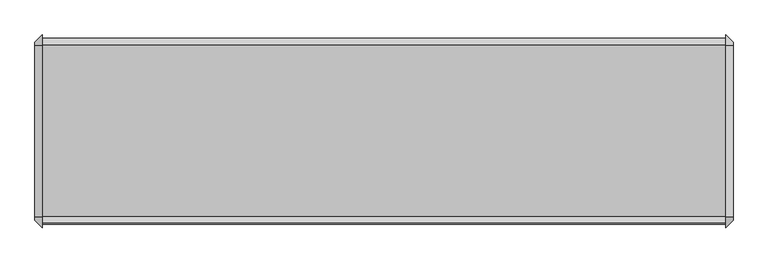
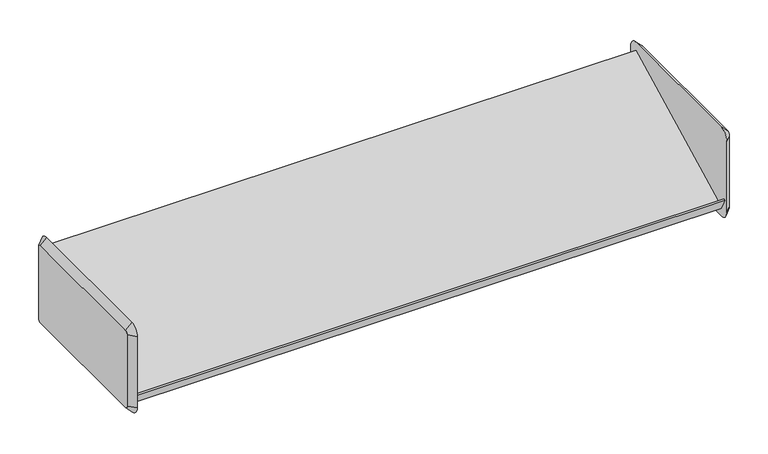
"""IFC4 building model written with IfcOpenShell, lengths in millimetres: furniture geometry."""

from ifc_helpers import new_model, si_unit, frame, origin, place, context, project, spatial, polyline, circle_curve, outline, extrude, source, transform, mapped, element, save
from ifc_brep_helpers import plane_surface, revolved_surface, advanced_brep


def furniture_120b8185(model_context):
    return source(origin(), model_context, "Body", "SolidModel", [
        advanced_brep(
        [(485.6579955, 161.925, 977.9), (485.6579955, -136.525, 977.9), (485.6579955, -142.875, 971.55), (485.6579955, -142.875, 819.15), (485.6579955, -136.525, 812.8), (485.6579955, 161.925, 812.8), (485.6579955, 168.275, 819.15), (485.6579955, 168.275, 971.55), (472.9579955, 161.925, 990.6), (472.9579955, 180.975, 971.55), (472.9579955, 180.975, 819.15), (472.9579955, 161.925, 800.1), (472.9579955, -136.525, 800.1), (472.9579955, -155.575, 819.15), (472.9579955, -155.575, 971.55), (472.9579955, -136.525, 990.6)],
        [
            (0, 1),
            (1, 2, circle_curve(frame((485.6579955, -136.525, 971.55), z_axis=(1.0, 2.075672966836833e-12, -2.1636026303870453e-12), x_axis=(2.1635874080698046e-12, 0.0, 1.0)), 6.35)),
            (2, 3),
            (3, 4, circle_curve(frame((485.6579955, -136.525, 819.15), z_axis=(1.0, 2.059685755282227e-12, 2.0463630789867403e-12), x_axis=(2.0596472873046784e-12, -1.0, 0.0)), 6.35)),
            (4, 5),
            (5, 6, circle_curve(frame((485.6579955, 161.925, 819.15), z_axis=(1.0, 2.0889956431322974e-12, -2.099653784168687e-12), x_axis=(-2.0996846449968276e-12, 0.0, -1.0)), 6.35)),
            (6, 7),
            (7, 0, circle_curve(frame((485.6579955, 161.925, 971.55), z_axis=(1.0, 2.0783375020959302e-12, 1.9824142327684258e-12), x_axis=(-2.0783313875587356e-12, 1.0, 0.0)), 6.35)),
            (8, 9, circle_curve(frame((472.9579955, 161.925, 971.55), z_axis=(-1.0, -2.0783375020959302e-12, -1.9824142327684258e-12), x_axis=(-2.0783313875587356e-12, 1.0, 0.0)), 19.05)),
            (9, 10),
            (10, 11, circle_curve(frame((472.9579955, 161.925, 819.15), z_axis=(-1.0, -2.0889956431322974e-12, 2.099653784168687e-12), x_axis=(-2.0996846449968276e-12, 0.0, -1.0)), 19.05)),
            (11, 12),
            (12, 13, circle_curve(frame((472.9579955, -136.525, 819.15), z_axis=(-1.0, -2.059685755282227e-12, -2.0463630789867403e-12), x_axis=(2.0596472873046784e-12, -1.0, 0.0)), 19.05)),
            (13, 14),
            (14, 15, circle_curve(frame((472.9579955, -136.525, 971.55), z_axis=(-1.0, -2.075672966836833e-12, 2.1636026303870453e-12), x_axis=(2.1635874080698046e-12, 0.0, 1.0)), 19.05)),
            (15, 8),
            (15, 1),
            (0, 8),
            (14, 2),
            (13, 3),
            (12, 4),
            (11, 5),
            (10, 6),
            (9, 7),
        ],
        [
            plane_surface(frame((485.6579955, 12.7, 895.35), z_axis=(1.0, 0.0, 0.0), x_axis=(0.0, -1.0, 0.0))),
            plane_surface(frame((472.9579955, 12.7, 895.35), z_axis=(-1.0, 0.0, 0.0), x_axis=(0.0, -1.0, 0.0))),
            plane_surface(frame((472.9579955, 12.7, 990.6), z_axis=(0.707106781186182, 0.0, 0.7071067811869131), x_axis=(0.0, -1.0, 0.0))),
            revolved_surface(polyline([(485.6579955000138, -136.525, 977.8999999999862), (472.9579955, -136.525, 990.6)]), (492.0079955, -136.525, 971.55), (-1.0, -2.075672966836833e-12, 2.1636026303870453e-12)),
            plane_surface(frame((472.9579955, -155.575, 895.35), z_axis=(0.7071067811861425, -0.7071067811869526, 0.0), x_axis=(0.0, 0.0, -1.0))),
            revolved_surface(polyline([(485.6579955000131, -142.87499999998687, 819.15), (472.9579955, -155.575, 819.15)]), (492.0079955, -136.525, 819.15), (-1.0, -2.059685755282227e-12, -2.0463630789867403e-12)),
            plane_surface(frame((472.9579955, 12.7, 800.1), z_axis=(0.7071067811861368, 0.0, -0.7071067811869582), x_axis=(0.0, 1.0, 0.0))),
            revolved_surface(polyline([(485.6579955, 161.925, 812.8000000000001), (472.95799549995996, 161.925, 800.09999999996)]), (492.0079955, 161.925, 819.15), (-1.0, -2.0889956431322974e-12, 2.099653784168687e-12)),
            plane_surface(frame((472.9579955, 180.975, 895.35), z_axis=(0.7071067811861453, 0.7071067811869498, 0.0), x_axis=(0.0, 0.0, 1.0))),
            revolved_surface(polyline([(485.6579955, 168.27499999999998, 971.55), (472.95799549996036, 180.97500000003959, 971.55)]), (492.0079955, 161.925, 971.55), (-1.0, -2.0783375020959302e-12, -1.9824142327684258e-12)),
        ],
        [
            (0, [[1, 2, 3, 4, 5, 6, 7, 8]]),
            (1, [[9, 10, 11, 12, 13, 14, 15, 16]]),
            (2, [[-16, 17, -1, 18]]),
            (3, [[-15, 19, -2, -17]]),
            (4, [[-14, 20, -3, -19]]),
            (5, [[-13, 21, -4, -20]]),
            (6, [[-12, 22, -5, -21]]),
            (7, [[-11, 23, -6, -22]]),
            (8, [[-10, 24, -7, -23]]),
            (9, [[-9, -18, -8, -24]]),
        ],
    ),
        advanced_brep(
        [(-733.5420045, -136.525, 977.9), (-733.5420045, 161.925, 977.9), (-733.5420045, 168.275, 971.55), (-733.5420045, 168.275, 819.15), (-733.5420045, 161.925, 812.8), (-733.5420045, -136.525, 812.8), (-733.5420045, -142.875, 819.15), (-733.5420045, -142.875, 971.55), (-720.8420045, -136.525, 990.6), (-720.8420045, -155.575, 971.55), (-720.8420045, -155.575, 819.15), (-720.8420045, -136.525, 800.1), (-720.8420045, 161.925, 800.1), (-720.8420045, 180.975, 819.15), (-720.8420045, 180.975, 971.55), (-720.8420045, 161.925, 990.6)],
        [
            (0, 1),
            (1, 2, circle_curve(frame((-733.5420045, 161.925, 971.55), z_axis=(-1.0, 0.0, 0.0), x_axis=(0.0, 0.0, 1.0)), 6.35)),
            (2, 3),
            (3, 4, circle_curve(frame((-733.5420045, 161.925, 819.15), z_axis=(-1.0, 0.0, 0.0), x_axis=(0.0, 1.0, 0.0)), 6.35)),
            (4, 5),
            (5, 6, circle_curve(frame((-733.5420045, -136.525, 819.15), z_axis=(-1.0, 0.0, 0.0), x_axis=(0.0, 0.0, -1.0)), 6.35)),
            (6, 7),
            (7, 0, circle_curve(frame((-733.5420045, -136.525, 971.55), z_axis=(-1.0, 0.0, 0.0), x_axis=(0.0, -1.0, 0.0)), 6.35)),
            (8, 9, circle_curve(frame((-720.8420045, -136.525, 971.55), z_axis=(1.0, 0.0, 0.0), x_axis=(0.0, -1.0, 0.0)), 19.05)),
            (9, 10),
            (10, 11, circle_curve(frame((-720.8420045, -136.525, 819.15), z_axis=(1.0, 0.0, 0.0), x_axis=(0.0, 0.0, -1.0)), 19.05)),
            (11, 12),
            (12, 13, circle_curve(frame((-720.8420045, 161.925, 819.15), z_axis=(1.0, 0.0, 0.0), x_axis=(0.0, 1.0, 0.0)), 19.05)),
            (13, 14),
            (14, 15, circle_curve(frame((-720.8420045, 161.925, 971.55), z_axis=(1.0, 0.0, 0.0), x_axis=(0.0, 0.0, 1.0)), 19.05)),
            (15, 8),
            (15, 1),
            (0, 8),
            (14, 2),
            (13, 3),
            (12, 4),
            (11, 5),
            (10, 6),
            (9, 7),
        ],
        [
            plane_surface(frame((-733.5420045, 12.7, 895.35), z_axis=(-1.0, 0.0, 0.0), x_axis=(0.0, -1.0, 0.0))),
            plane_surface(frame((-720.8420045, 12.7, 895.35), z_axis=(1.0, 0.0, 0.0), x_axis=(0.0, -1.0, 0.0))),
            plane_surface(frame((-720.8420045, 12.7, 990.6), z_axis=(-0.7071067811865098, 0.0, 0.7071067811865852), x_axis=(0.0, 1.0, 0.0))),
            revolved_surface(polyline([(-733.5420045, 161.925, 977.9), (-720.8420045, 161.925, 990.6)]), (-739.8920045, 161.925, 971.55), (1.0, 0.0, 0.0)),
            plane_surface(frame((-720.8420045, 180.975, 895.35), z_axis=(-0.7071067811865447, 0.7071067811865503, 0.0), x_axis=(0.0, 0.0, -1.0))),
            revolved_surface(polyline([(-733.5420045, 168.27500000000003, 819.15), (-720.8420045, 180.975, 819.15)]), (-739.8920045, 161.925, 819.15), (1.0, 0.0, 0.0)),
            plane_surface(frame((-720.8420045, 12.7, 800.1), z_axis=(-0.7071067811865513, 0.0, -0.7071067811865438), x_axis=(0.0, -1.0, 0.0))),
            revolved_surface(polyline([(-733.5420045, -136.525, 812.8), (-720.8420045, -136.525, 800.1)]), (-739.8920045, -136.525, 819.15), (1.0, 0.0, 0.0)),
            plane_surface(frame((-720.8420045, -155.575, 895.35), z_axis=(-0.7071067811865457, -0.7071067811865495, 0.0), x_axis=(0.0, 0.0, 1.0))),
            revolved_surface(polyline([(-733.5420045, -142.87500000000003, 971.55), (-720.8420045, -155.575, 971.55)]), (-739.8920045, -136.525, 971.55), (1.0, 0.0, 0.0)),
        ],
        [
            (0, [[1, 2, 3, 4, 5, 6, 7, 8]]),
            (1, [[9, 10, 11, 12, 13, 14, 15, 16]]),
            (2, [[-16, 17, -1, 18]]),
            (3, [[-15, 19, -2, -17]]),
            (4, [[-14, 20, -3, -19]]),
            (5, [[-13, 21, -4, -20]]),
            (6, [[-12, 22, -5, -21]]),
            (7, [[-11, 23, -6, -22]]),
            (8, [[-10, 24, -7, -23]]),
            (9, [[-9, -18, -8, -24]]),
        ],
    ),
        extrude(outline(polyline([(-137.2094993, 817.0179666), (-149.845093, 841.4467844), (-147.0173828, 842.8907216), (-135.8404765, 821.2820334), (162.5893131, 973.6717194), (175.2453599, 950.0470972), (172.4171401, 948.6028998), (161.2606869, 969.4282806), (-137.2094993, 817.0179666)])), frame((-720.8420045, 0.0, 0.0), z_axis=(1.0, 0.0, 0.0), x_axis=(0.0, 1.0, 0.0)), (0.0, 0.0, 1.0), 1193.8),
    ])


if __name__ == "__main__":
    model = new_model("IFC4")
    model_context = context("Model", 3, world=origin())
    ifc_project = project(units=[si_unit("LENGTHUNIT", "METRE", prefix="MILLI")], contexts=[model_context])
    site = spatial("IfcSite", under=ifc_project)
    building = spatial("IfcBuilding", under=site)
    placement = place(None, origin())
    furniture_shape = furniture_120b8185(model_context)
    element("IfcFurniture", 1, at=placement, inside=building, context=model_context, shape_type="MappedRepresentation", body=[
        mapped(furniture_shape, transform((0.0, 0.0, 0.0), x_axis=(1.0, 0.0, 0.0), y_axis=(0.0, 1.0, 0.0), z_axis=(0.0, 0.0, 1.0))),
    ])
    save(model, "model.ifc")
